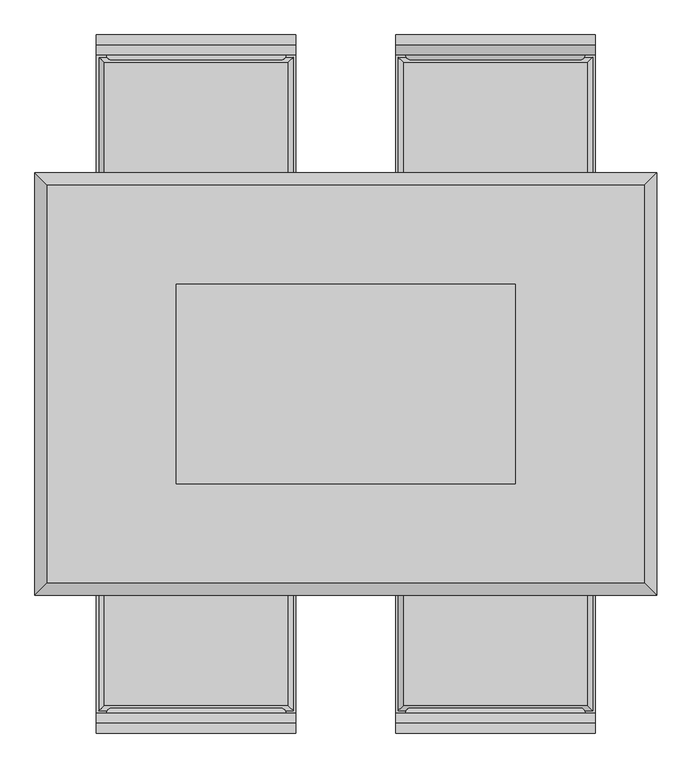
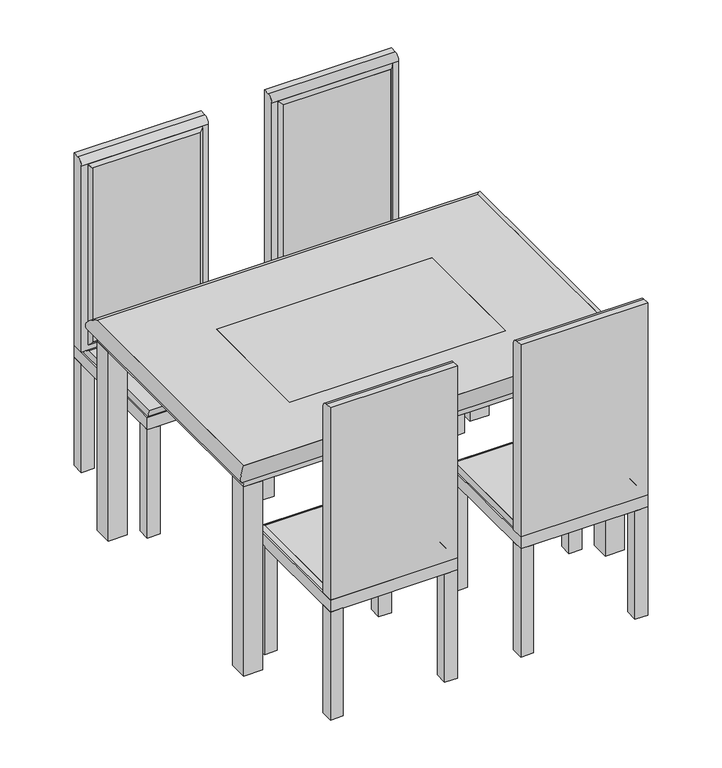
"""IFC4 building model written with IfcOpenShell, lengths in millimetres: furniture geometry."""

from ifc_helpers import new_model, si_unit, point, frame, frame_2d, origin, origin_with_axes, place, context, project, spatial, polyline, circle_curve, ellipse_curve, trimmed, segment, composite_curve, outline, extrude, faceted_brep, source, transform, mapped, element, save
from ifc_brep_helpers import plane_surface, cylinder_surface, revolved_surface, advanced_brep


def furniture_dd2c2126(model_context):
    return source(origin(), model_context, "Body", "SolidModel", [
        extrude(outline(composite_curve([segment(polyline([(-700.0, 400.0), (-700.0, 1040.0), (-680.0, 1040.0)]), True, "CONTINUOUS"), segment(trimmed(circle_curve(frame_2d((-680.0, 1020.0)), 20.0), [point((-680.0, 1040.0))], [point((-660.0, 1020.0))], False, "CARTESIAN"), True, "CONTINUOUS"), segment(polyline([(-660.0, 1020.0), (-660.0, 400.0), (-700.0, 400.0)]), True, "CONTINUOUS")], self_intersect=False)), frame((-500.0, 0.0, 0.0), z_axis=(1.0, 0.0, 0.0), x_axis=(0.0, 1.0, 0.0)), (0.0, 0.0, 1.0), 400.0),
        advanced_brep(
        [(-470.0, -650.0, 430.0), (-130.0, -650.0, 430.0), (-130.0, -670.0, 430.0), (-470.0, -670.0, 430.0), (-130.0, -650.0, 1010.0), (-130.0, -670.0, 1010.0), (-470.0, -650.0, 1010.0), (-470.0, -670.0, 1010.0)],
        [
            (0, 1),
            (1, 2, ellipse_curve(frame((-130.0, -660.0, 430.0), z_axis=(-0.7071067811865452, 0.0, -0.7071067811865498), x_axis=(-0.7071067811865499, 0.0, 0.7071067811865451)), 14.1421356, 10.0)),
            (2, 3),
            (3, 0, ellipse_curve(frame((-470.0, -660.0, 430.0), z_axis=(0.7071067811865498, 0.0, -0.7071067811865451), x_axis=(-0.7071067811865455, 0.0, -0.7071067811865497)), 14.1421356, 10.0)),
            (2, 1),
            (0, 3),
            (1, 4),
            (4, 5, ellipse_curve(frame((-130.0, -660.0, 1010.0), z_axis=(0.7071067811865498, 0.0, -0.7071067811865452), x_axis=(-0.7071067811865452, 0.0, -0.7071067811865498)), 14.1421356, 10.0)),
            (5, 2),
            (5, 4),
            (4, 6),
            (6, 7, ellipse_curve(frame((-470.0, -660.0, 1010.0), z_axis=(0.7071067811865452, 0.0, 0.7071067811865498), x_axis=(0.7071067811865497, 0.0, -0.7071067811865452)), 14.1421356, 10.0)),
            (7, 5),
            (7, 6),
            (6, 0),
            (3, 7),
        ],
        [
            cylinder_surface(frame((-470.0, -660.0, 430.0), z_axis=(-1.0, 0.0, 0.0), x_axis=(0.0, 0.0, -1.0)), 10.0),
            plane_surface(frame((-470.0, -650.0, 430.0), z_axis=(0.0, 0.0, 1.0), x_axis=(1.0, 0.0, 0.0))),
            cylinder_surface(frame((-130.0, -660.0, 430.0), z_axis=(0.0, 0.0, -1.0), x_axis=(1.0, 0.0, 0.0)), 10.0),
            plane_surface(frame((-130.0, -650.0, 430.0), z_axis=(-1.0, 0.0, 0.0), x_axis=(0.0, 0.0, 1.0))),
            cylinder_surface(frame((-130.0, -660.0, 1010.0), z_axis=(1.0, 0.0, 0.0), x_axis=(0.0, 0.0, 1.0)), 10.0),
            plane_surface(frame((-130.0, -650.0, 1010.0), z_axis=(0.0, 0.0, -1.0), x_axis=(-1.0, 0.0, 0.0))),
            cylinder_surface(frame((-470.0, -660.0, 1010.0), z_axis=(0.0, 0.0, 1.0), x_axis=(-1.0, 0.0, 0.0)), 10.0),
            plane_surface(frame((-470.0, -650.0, 1010.0), z_axis=(1.0, 0.0, 0.0), x_axis=(0.0, 0.0, -1.0))),
        ],
        [
            (0, [[1, 2, 3, 4]]),
            (1, [[-3, 5, -1, 6]]),
            (2, [[7, 8, 9, -2]]),
            (3, [[-9, 10, -7, -5]]),
            (4, [[11, 12, 13, -8]]),
            (5, [[-13, 14, -11, -10]]),
            (6, [[15, -4, 16, -12]]),
            (7, [[-16, -6, -15, -14]]),
        ],
    ),
        extrude(outline(polyline([(-130.0, -650.0), (-130.0, -670.0), (-470.0, -670.0), (-470.0, -650.0), (-130.0, -650.0)])), frame((0.0, 0.0, 430.0), z_axis=(0.0, 0.0, 1.0), x_axis=(1.0, 0.0, 0.0)), (0.0, 0.0, 1.0), 580.0),
        advanced_brep(
        [(-485.0, -645.0, 410.0), (-485.0, -315.0, 410.0), (-485.0, -315.0, 390.0), (-485.0, -645.0, 390.0), (-115.0, -315.0, 410.0), (-115.0, -315.0, 390.0), (-115.0, -645.0, 410.0), (-115.0, -645.0, 390.0)],
        [
            (0, 1),
            (1, 2, ellipse_curve(frame((-485.0, -315.0, 400.0), z_axis=(-0.7071067811865475, -0.7071067811865476, 0.0), x_axis=(0.7071067811865476, -0.7071067811865475, 0.0)), 14.1421356, 10.0)),
            (2, 3),
            (3, 0, ellipse_curve(frame((-485.0, -645.0, 400.0), z_axis=(-0.7071067811865476, 0.7071067811865474, 0.0), x_axis=(-0.7071067811865472, -0.7071067811865478, 0.0)), 14.1421356, 10.0)),
            (2, 1),
            (0, 3),
            (1, 4),
            (4, 5, ellipse_curve(frame((-115.0, -315.0, 400.0), z_axis=(-0.7071067811865476, 0.7071067811865475, 0.0), x_axis=(-0.7071067811865475, -0.7071067811865476, 0.0)), 14.1421356, 10.0)),
            (5, 2),
            (5, 4),
            (4, 6),
            (6, 7, ellipse_curve(frame((-115.0, -645.0, 400.0), z_axis=(0.7071067811865474, 0.7071067811865476, 0.0), x_axis=(-0.7071067811865475, 0.7071067811865475, 0.0)), 14.1421356, 10.0)),
            (7, 5),
            (7, 6),
            (6, 0),
            (3, 7),
        ],
        [
            cylinder_surface(frame((-485.0, -645.0, 400.0), z_axis=(0.0, -1.0, 0.0), x_axis=(1.0, 0.0, 0.0)), 10.0),
            plane_surface(frame((-485.0, -645.0, 410.0), z_axis=(1.0, 0.0, 0.0), x_axis=(0.0, 1.0, 0.0))),
            cylinder_surface(frame((-485.0, -315.0, 400.0), z_axis=(-1.0, 0.0, 0.0), x_axis=(0.0, -1.0, 0.0)), 10.0),
            plane_surface(frame((-485.0, -315.0, 410.0), z_axis=(0.0, -1.0, 0.0), x_axis=(1.0, 0.0, 0.0))),
            cylinder_surface(frame((-115.0, -315.0, 400.0), z_axis=(0.0, 1.0, 0.0), x_axis=(-1.0, 0.0, 0.0)), 10.0),
            plane_surface(frame((-115.0, -315.0, 410.0), z_axis=(-1.0, 0.0, 0.0), x_axis=(0.0, -1.0, 0.0))),
            cylinder_surface(frame((-115.0, -645.0, 400.0), z_axis=(1.0, 0.0, 0.0), x_axis=(0.0, 1.0, 0.0)), 10.0),
            plane_surface(frame((-115.0, -645.0, 410.0), z_axis=(0.0, 1.0, 0.0), x_axis=(-1.0, 0.0, 0.0))),
        ],
        [
            (0, [[1, 2, 3, 4]]),
            (1, [[-3, 5, -1, 6]]),
            (2, [[7, 8, 9, -2]]),
            (3, [[-9, 10, -7, -5]]),
            (4, [[11, 12, 13, -8]]),
            (5, [[-13, 14, -11, -10]]),
            (6, [[15, -4, 16, -12]]),
            (7, [[-16, -6, -15, -14]]),
        ],
    ),
        extrude(outline(polyline([(-485.0, -315.0), (-115.0, -315.0), (-115.0, -645.0), (-485.0, -645.0), (-485.0, -315.0)])), frame((0.0, 0.0, 390.0), z_axis=(0.0, 0.0, 1.0), x_axis=(1.0, 0.0, 0.0)), (0.0, 0.0, 1.0), 20.0),
        extrude(outline(polyline([(-140.0, -300.0), (-100.0, -300.0), (-100.0, -340.0), (-140.0, -340.0), (-140.0, -300.0)])), origin_with_axes(), (0.0, 0.0, 1.0), 360.0),
        extrude(outline(polyline([(-500.0, -300.0), (-460.0, -300.0), (-460.0, -340.0), (-500.0, -340.0), (-500.0, -300.0)])), origin_with_axes(), (0.0, 0.0, 1.0), 360.0),
        extrude(outline(polyline([(-500.0, -660.0), (-460.0, -660.0), (-460.0, -700.0), (-500.0, -700.0), (-500.0, -660.0)])), origin_with_axes(), (0.0, 0.0, 1.0), 360.0),
        extrude(outline(polyline([(-140.0, -660.0), (-100.0, -660.0), (-100.0, -700.0), (-140.0, -700.0), (-140.0, -660.0)])), origin_with_axes(), (0.0, 0.0, 1.0), 360.0),
        extrude(outline(polyline([(-500.0, -300.0), (-100.0, -300.0), (-100.0, -700.0), (-500.0, -700.0), (-500.0, -300.0)])), frame((0.0, 0.0, 360.0), z_axis=(0.0, 0.0, 1.0), x_axis=(1.0, 0.0, 0.0)), (0.0, 0.0, 1.0), 40.0),
        extrude(outline(composite_curve([segment(polyline([(-660.0, 400.0), (-700.0, 400.0), (-700.0, 1040.0), (-680.0, 1040.0)]), True, "CONTINUOUS"), segment(trimmed(circle_curve(frame_2d((-680.0, 1020.0)), 20.0), [point((-680.0, 1040.0))], [point((-660.0, 1020.0))], False, "CARTESIAN"), True, "CONTINUOUS"), segment(polyline([(-660.0, 1020.0), (-660.0, 400.0)]), True, "CONTINUOUS")], self_intersect=False)), frame((100.0, 0.0, 0.0), z_axis=(1.0, 0.0, 0.0), x_axis=(0.0, 1.0, 0.0)), (0.0, 0.0, 1.0), 400.0),
        advanced_brep(
        [(470.0, -650.0, 430.0), (470.0, -670.0, 430.0), (130.0, -670.0, 430.0), (130.0, -650.0, 430.0), (130.0, -670.0, 1010.0), (130.0, -650.0, 1010.0), (470.0, -670.0, 1010.0), (470.0, -650.0, 1010.0)],
        [
            (0, 1, ellipse_curve(frame((470.0, -660.0, 430.0), z_axis=(-0.7071067811865498, 0.0, -0.7071067811865451), x_axis=(0.7071067811865455, 0.0, -0.7071067811865497)), 14.1421356, 10.0)),
            (1, 2),
            (2, 3, ellipse_curve(frame((130.0, -660.0, 430.0), z_axis=(0.7071067811865452, 0.0, -0.7071067811865498), x_axis=(0.7071067811865499, 0.0, 0.7071067811865451)), 14.1421356, 10.0)),
            (3, 0),
            (1, 0),
            (3, 2),
            (2, 4),
            (4, 5, ellipse_curve(frame((130.0, -660.0, 1010.0), z_axis=(-0.7071067811865498, 0.0, -0.7071067811865452), x_axis=(0.7071067811865452, 0.0, -0.7071067811865498)), 14.1421356, 10.0)),
            (5, 3),
            (5, 4),
            (4, 6),
            (6, 7, ellipse_curve(frame((470.0, -660.0, 1010.0), z_axis=(-0.7071067811865452, 0.0, 0.7071067811865498), x_axis=(-0.7071067811865497, 0.0, -0.7071067811865452)), 14.1421356, 10.0)),
            (7, 5),
            (7, 6),
            (6, 1),
            (0, 7),
        ],
        [
            cylinder_surface(frame((470.0, -660.0, 430.0), z_axis=(1.0, 0.0, 0.0), x_axis=(0.0, 0.0, -1.0)), 10.0),
            plane_surface(frame((470.0, -650.0, 430.0), z_axis=(0.0, 0.0, 1.0), x_axis=(-1.0, 0.0, 0.0))),
            cylinder_surface(frame((130.0, -660.0, 430.0), z_axis=(0.0, 0.0, -1.0), x_axis=(-1.0, 0.0, 0.0)), 10.0),
            plane_surface(frame((130.0, -650.0, 430.0), z_axis=(1.0, 0.0, 0.0), x_axis=(0.0, 0.0, 1.0))),
            cylinder_surface(frame((130.0, -660.0, 1010.0), z_axis=(-1.0, 0.0, 0.0), x_axis=(0.0, 0.0, 1.0)), 10.0),
            plane_surface(frame((130.0, -650.0, 1010.0), z_axis=(0.0, 0.0, -1.0), x_axis=(1.0, 0.0, 0.0))),
            cylinder_surface(frame((470.0, -660.0, 1010.0), z_axis=(0.0, 0.0, 1.0), x_axis=(1.0, 0.0, 0.0)), 10.0),
            plane_surface(frame((470.0, -650.0, 1010.0), z_axis=(-1.0, 0.0, 0.0), x_axis=(0.0, 0.0, -1.0))),
        ],
        [
            (0, [[1, 2, 3, 4]]),
            (1, [[5, -4, 6, -2]]),
            (2, [[-3, 7, 8, 9]]),
            (3, [[-6, -9, 10, -7]]),
            (4, [[-8, 11, 12, 13]]),
            (5, [[-10, -13, 14, -11]]),
            (6, [[-12, 15, -1, 16]]),
            (7, [[-14, -16, -5, -15]]),
        ],
    ),
        extrude(outline(polyline([(130.0, -650.0), (470.0, -650.0), (470.0, -670.0), (130.0, -670.0), (130.0, -650.0)])), frame((0.0, 0.0, 430.0), z_axis=(0.0, 0.0, 1.0), x_axis=(1.0, 0.0, 0.0)), (0.0, 0.0, 1.0), 580.0),
        advanced_brep(
        [(485.0, -645.0, 410.0), (485.0, -645.0, 390.0), (485.0, -315.0, 390.0), (485.0, -315.0, 410.0), (115.0, -315.0, 390.0), (115.0, -315.0, 410.0), (115.0, -645.0, 390.0), (115.0, -645.0, 410.0)],
        [
            (0, 1, ellipse_curve(frame((485.0, -645.0, 400.0), z_axis=(0.7071067811865476, 0.7071067811865474, 0.0), x_axis=(0.7071067811865472, -0.7071067811865478, 0.0)), 14.1421356, 10.0)),
            (1, 2),
            (2, 3, ellipse_curve(frame((485.0, -315.0, 400.0), z_axis=(0.7071067811865475, -0.7071067811865476, 0.0), x_axis=(-0.7071067811865476, -0.7071067811865475, 0.0)), 14.1421356, 10.0)),
            (3, 0),
            (1, 0),
            (3, 2),
            (2, 4),
            (4, 5, ellipse_curve(frame((115.0, -315.0, 400.0), z_axis=(0.7071067811865476, 0.7071067811865475, 0.0), x_axis=(0.7071067811865475, -0.7071067811865476, 0.0)), 14.1421356, 10.0)),
            (5, 3),
            (5, 4),
            (4, 6),
            (6, 7, ellipse_curve(frame((115.0, -645.0, 400.0), z_axis=(-0.7071067811865474, 0.7071067811865476, 0.0), x_axis=(0.7071067811865475, 0.7071067811865475, 0.0)), 14.1421356, 10.0)),
            (7, 5),
            (7, 6),
            (6, 1),
            (0, 7),
        ],
        [
            cylinder_surface(frame((485.0, -645.0, 400.0), z_axis=(0.0, -1.0, 0.0), x_axis=(-1.0, 0.0, 0.0)), 10.0),
            plane_surface(frame((485.0, -645.0, 410.0), z_axis=(-1.0, 0.0, 0.0), x_axis=(0.0, 1.0, 0.0))),
            cylinder_surface(frame((485.0, -315.0, 400.0), z_axis=(1.0, 0.0, 0.0), x_axis=(0.0, -1.0, 0.0)), 10.0),
            plane_surface(frame((485.0, -315.0, 410.0), z_axis=(0.0, -1.0, 0.0), x_axis=(-1.0, 0.0, 0.0))),
            cylinder_surface(frame((115.0, -315.0, 400.0), z_axis=(0.0, 1.0, 0.0), x_axis=(1.0, 0.0, 0.0)), 10.0),
            plane_surface(frame((115.0, -315.0, 410.0), z_axis=(1.0, 0.0, 0.0), x_axis=(0.0, -1.0, 0.0))),
            cylinder_surface(frame((115.0, -645.0, 400.0), z_axis=(-1.0, 0.0, 0.0), x_axis=(0.0, 1.0, 0.0)), 10.0),
            plane_surface(frame((115.0, -645.0, 410.0), z_axis=(0.0, 1.0, 0.0), x_axis=(1.0, 0.0, 0.0))),
        ],
        [
            (0, [[1, 2, 3, 4]]),
            (1, [[5, -4, 6, -2]]),
            (2, [[-3, 7, 8, 9]]),
            (3, [[-6, -9, 10, -7]]),
            (4, [[-8, 11, 12, 13]]),
            (5, [[-10, -13, 14, -11]]),
            (6, [[-12, 15, -1, 16]]),
            (7, [[-14, -16, -5, -15]]),
        ],
    ),
        extrude(outline(polyline([(485.0, -315.0), (485.0, -645.0), (115.0, -645.0), (115.0, -315.0), (485.0, -315.0)])), frame((0.0, 0.0, 390.0), z_axis=(0.0, 0.0, 1.0), x_axis=(1.0, 0.0, 0.0)), (0.0, 0.0, 1.0), 20.0),
        extrude(outline(polyline([(140.0, -300.0), (140.0, -340.0), (100.0, -340.0), (100.0, -300.0), (140.0, -300.0)])), origin_with_axes(), (0.0, 0.0, 1.0), 360.0),
        extrude(outline(polyline([(500.0, -300.0), (500.0, -340.0), (460.0, -340.0), (460.0, -300.0), (500.0, -300.0)])), origin_with_axes(), (0.0, 0.0, 1.0), 360.0),
        extrude(outline(polyline([(500.0, -660.0), (500.0, -700.0), (460.0, -700.0), (460.0, -660.0), (500.0, -660.0)])), origin_with_axes(), (0.0, 0.0, 1.0), 360.0),
        extrude(outline(polyline([(140.0, -660.0), (140.0, -700.0), (100.0, -700.0), (100.0, -660.0), (140.0, -660.0)])), origin_with_axes(), (0.0, 0.0, 1.0), 360.0),
        extrude(outline(polyline([(500.0, -300.0), (500.0, -700.0), (100.0, -700.0), (100.0, -300.0), (500.0, -300.0)])), frame((0.0, 0.0, 360.0), z_axis=(0.0, 0.0, 1.0), x_axis=(1.0, 0.0, 0.0)), (0.0, 0.0, 1.0), 40.0),
        extrude(outline(composite_curve([segment(polyline([(700.0, 400.0), (660.0, 400.0), (660.0, 1020.0)]), True, "CONTINUOUS"), segment(trimmed(circle_curve(frame_2d((680.0, 1020.0)), 20.0), [point((660.0, 1020.0))], [point((680.0, 1040.0))], False, "CARTESIAN"), True, "CONTINUOUS"), segment(polyline([(680.0, 1040.0), (700.0, 1040.0), (700.0, 400.0)]), True, "CONTINUOUS")], self_intersect=False)), frame((-500.0, 0.0, 0.0), z_axis=(1.0, 0.0, 0.0), x_axis=(0.0, 1.0, 0.0)), (0.0, 0.0, 1.0), 400.0),
        advanced_brep(
        [(-470.0, 650.0, 430.0), (-470.0, 670.0, 430.0), (-130.0, 670.0, 430.0), (-130.0, 650.0, 430.0), (-130.0, 670.0, 1010.0), (-130.0, 650.0, 1010.0), (-470.0, 670.0, 1010.0), (-470.0, 650.0, 1010.0)],
        [
            (0, 1, ellipse_curve(frame((-470.0, 660.0, 430.0), z_axis=(0.7071067811865498, 0.0, -0.7071067811865451), x_axis=(-0.7071067811865455, 0.0, -0.7071067811865497)), 14.1421356, 10.0)),
            (1, 2),
            (2, 3, ellipse_curve(frame((-130.0, 660.0, 430.0), z_axis=(-0.7071067811865452, 0.0, -0.7071067811865498), x_axis=(-0.7071067811865499, 0.0, 0.7071067811865451)), 14.1421356, 10.0)),
            (3, 0),
            (1, 0),
            (3, 2),
            (2, 4),
            (4, 5, ellipse_curve(frame((-130.0, 660.0, 1010.0), z_axis=(0.7071067811865498, 0.0, -0.7071067811865452), x_axis=(-0.7071067811865452, 0.0, -0.7071067811865498)), 14.1421356, 10.0)),
            (5, 3),
            (5, 4),
            (4, 6),
            (6, 7, ellipse_curve(frame((-470.0, 660.0, 1010.0), z_axis=(0.7071067811865452, 0.0, 0.7071067811865498), x_axis=(0.7071067811865497, 0.0, -0.7071067811865452)), 14.1421356, 10.0)),
            (7, 5),
            (7, 6),
            (6, 1),
            (0, 7),
        ],
        [
            cylinder_surface(frame((-470.0, 660.0, 430.0), z_axis=(-1.0, 0.0, 0.0), x_axis=(0.0, 0.0, -1.0)), 10.0),
            plane_surface(frame((-470.0, 650.0, 430.0), z_axis=(0.0, 0.0, 1.0), x_axis=(1.0, 0.0, 0.0))),
            cylinder_surface(frame((-130.0, 660.0, 430.0), z_axis=(0.0, 0.0, -1.0), x_axis=(1.0, 0.0, 0.0)), 10.0),
            plane_surface(frame((-130.0, 650.0, 430.0), z_axis=(-1.0, 0.0, 0.0), x_axis=(0.0, 0.0, 1.0))),
            cylinder_surface(frame((-130.0, 660.0, 1010.0), z_axis=(1.0, 0.0, 0.0), x_axis=(0.0, 0.0, 1.0)), 10.0),
            plane_surface(frame((-130.0, 650.0, 1010.0), z_axis=(0.0, 0.0, -1.0), x_axis=(-1.0, 0.0, 0.0))),
            cylinder_surface(frame((-470.0, 660.0, 1010.0), z_axis=(0.0, 0.0, 1.0), x_axis=(-1.0, 0.0, 0.0)), 10.0),
            plane_surface(frame((-470.0, 650.0, 1010.0), z_axis=(1.0, 0.0, 0.0), x_axis=(0.0, 0.0, -1.0))),
        ],
        [
            (0, [[1, 2, 3, 4]]),
            (1, [[5, -4, 6, -2]]),
            (2, [[-3, 7, 8, 9]]),
            (3, [[-6, -9, 10, -7]]),
            (4, [[-8, 11, 12, 13]]),
            (5, [[-10, -13, 14, -11]]),
            (6, [[-12, 15, -1, 16]]),
            (7, [[-14, -16, -5, -15]]),
        ],
    ),
        extrude(outline(polyline([(-130.0, 650.0), (-470.0, 650.0), (-470.0, 670.0), (-130.0, 670.0), (-130.0, 650.0)])), frame((0.0, 0.0, 430.0), z_axis=(0.0, 0.0, 1.0), x_axis=(1.0, 0.0, 0.0)), (0.0, 0.0, 1.0), 580.0),
        advanced_brep(
        [(-485.0, 645.0, 410.0), (-485.0, 645.0, 390.0), (-485.0, 315.0, 390.0), (-485.0, 315.0, 410.0), (-115.0, 315.0, 390.0), (-115.0, 315.0, 410.0), (-115.0, 645.0, 390.0), (-115.0, 645.0, 410.0)],
        [
            (0, 1, ellipse_curve(frame((-485.0, 645.0, 400.0), z_axis=(-0.7071067811865476, -0.7071067811865474, 0.0), x_axis=(-0.7071067811865472, 0.7071067811865478, 0.0)), 14.1421356, 10.0)),
            (1, 2),
            (2, 3, ellipse_curve(frame((-485.0, 315.0, 400.0), z_axis=(-0.7071067811865475, 0.7071067811865476, 0.0), x_axis=(0.7071067811865476, 0.7071067811865475, 0.0)), 14.1421356, 10.0)),
            (3, 0),
            (1, 0),
            (3, 2),
            (2, 4),
            (4, 5, ellipse_curve(frame((-115.0, 315.0, 400.0), z_axis=(-0.7071067811865476, -0.7071067811865475, 0.0), x_axis=(-0.7071067811865475, 0.7071067811865476, 0.0)), 14.1421356, 10.0)),
            (5, 3),
            (5, 4),
            (4, 6),
            (6, 7, ellipse_curve(frame((-115.0, 645.0, 400.0), z_axis=(0.7071067811865474, -0.7071067811865476, 0.0), x_axis=(-0.7071067811865475, -0.7071067811865475, 0.0)), 14.1421356, 10.0)),
            (7, 5),
            (7, 6),
            (6, 1),
            (0, 7),
        ],
        [
            cylinder_surface(frame((-485.0, 645.0, 400.0), z_axis=(0.0, 1.0, 0.0), x_axis=(1.0, 0.0, 0.0)), 10.0),
            plane_surface(frame((-485.0, 645.0, 410.0), z_axis=(1.0, 0.0, 0.0), x_axis=(0.0, -1.0, 0.0))),
            cylinder_surface(frame((-485.0, 315.0, 400.0), z_axis=(-1.0, 0.0, 0.0), x_axis=(0.0, 1.0, 0.0)), 10.0),
            plane_surface(frame((-485.0, 315.0, 410.0), z_axis=(0.0, 1.0, 0.0), x_axis=(1.0, 0.0, 0.0))),
            cylinder_surface(frame((-115.0, 315.0, 400.0), z_axis=(0.0, -1.0, 0.0), x_axis=(-1.0, 0.0, 0.0)), 10.0),
            plane_surface(frame((-115.0, 315.0, 410.0), z_axis=(-1.0, 0.0, 0.0), x_axis=(0.0, 1.0, 0.0))),
            cylinder_surface(frame((-115.0, 645.0, 400.0), z_axis=(1.0, 0.0, 0.0), x_axis=(0.0, -1.0, 0.0)), 10.0),
            plane_surface(frame((-115.0, 645.0, 410.0), z_axis=(0.0, -1.0, 0.0), x_axis=(-1.0, 0.0, 0.0))),
        ],
        [
            (0, [[1, 2, 3, 4]]),
            (1, [[5, -4, 6, -2]]),
            (2, [[-3, 7, 8, 9]]),
            (3, [[-6, -9, 10, -7]]),
            (4, [[-8, 11, 12, 13]]),
            (5, [[-10, -13, 14, -11]]),
            (6, [[-12, 15, -1, 16]]),
            (7, [[-14, -16, -5, -15]]),
        ],
    ),
        extrude(outline(polyline([(-485.0, 315.0), (-485.0, 645.0), (-115.0, 645.0), (-115.0, 315.0), (-485.0, 315.0)])), frame((0.0, 0.0, 390.0), z_axis=(0.0, 0.0, 1.0), x_axis=(1.0, 0.0, 0.0)), (0.0, 0.0, 1.0), 20.0),
        extrude(outline(polyline([(-140.0, 300.0), (-140.0, 340.0), (-100.0, 340.0), (-100.0, 300.0), (-140.0, 300.0)])), origin_with_axes(), (0.0, 0.0, 1.0), 360.0),
        extrude(outline(polyline([(-500.0, 300.0), (-500.0, 340.0), (-460.0, 340.0), (-460.0, 300.0), (-500.0, 300.0)])), origin_with_axes(), (0.0, 0.0, 1.0), 360.0),
        extrude(outline(polyline([(-500.0, 660.0), (-500.0, 700.0), (-460.0, 700.0), (-460.0, 660.0), (-500.0, 660.0)])), origin_with_axes(), (0.0, 0.0, 1.0), 360.0),
        extrude(outline(polyline([(-140.0, 660.0), (-140.0, 700.0), (-100.0, 700.0), (-100.0, 660.0), (-140.0, 660.0)])), origin_with_axes(), (0.0, 0.0, 1.0), 360.0),
        extrude(outline(polyline([(-500.0, 300.0), (-500.0, 700.0), (-100.0, 700.0), (-100.0, 300.0), (-500.0, 300.0)])), frame((0.0, 0.0, 360.0), z_axis=(0.0, 0.0, 1.0), x_axis=(1.0, 0.0, 0.0)), (0.0, 0.0, 1.0), 40.0),
        extrude(outline(composite_curve([segment(polyline([(660.0, 400.0), (660.0, 1020.0)]), True, "CONTINUOUS"), segment(trimmed(circle_curve(frame_2d((680.0, 1020.0)), 20.0), [point((660.0, 1020.0))], [point((680.0, 1040.0))], False, "CARTESIAN"), True, "CONTINUOUS"), segment(polyline([(680.0, 1040.0), (700.0, 1040.0), (700.0, 400.0), (660.0, 400.0)]), True, "CONTINUOUS")], self_intersect=False)), frame((100.0, 0.0, 0.0), z_axis=(1.0, 0.0, 0.0), x_axis=(0.0, 1.0, 0.0)), (0.0, 0.0, 1.0), 400.0),
        advanced_brep(
        [(470.0, 650.0, 430.0), (130.0, 650.0, 430.0), (130.0, 670.0, 430.0), (470.0, 670.0, 430.0), (130.0, 650.0, 1010.0), (130.0, 670.0, 1010.0), (470.0, 650.0, 1010.0), (470.0, 670.0, 1010.0)],
        [
            (0, 1),
            (1, 2, ellipse_curve(frame((130.0, 660.0, 430.0), z_axis=(0.7071067811865452, 0.0, -0.7071067811865498), x_axis=(0.7071067811865499, 0.0, 0.7071067811865451)), 14.1421356, 10.0)),
            (2, 3),
            (3, 0, ellipse_curve(frame((470.0, 660.0, 430.0), z_axis=(-0.7071067811865498, 0.0, -0.7071067811865451), x_axis=(0.7071067811865455, 0.0, -0.7071067811865497)), 14.1421356, 10.0)),
            (2, 1),
            (0, 3),
            (1, 4),
            (4, 5, ellipse_curve(frame((130.0, 660.0, 1010.0), z_axis=(-0.7071067811865498, 0.0, -0.7071067811865452), x_axis=(0.7071067811865452, 0.0, -0.7071067811865498)), 14.1421356, 10.0)),
            (5, 2),
            (5, 4),
            (4, 6),
            (6, 7, ellipse_curve(frame((470.0, 660.0, 1010.0), z_axis=(-0.7071067811865452, 0.0, 0.7071067811865498), x_axis=(-0.7071067811865497, 0.0, -0.7071067811865452)), 14.1421356, 10.0)),
            (7, 5),
            (7, 6),
            (6, 0),
            (3, 7),
        ],
        [
            cylinder_surface(frame((470.0, 660.0, 430.0), z_axis=(1.0, 0.0, 0.0), x_axis=(0.0, 0.0, -1.0)), 10.0),
            plane_surface(frame((470.0, 650.0, 430.0), z_axis=(0.0, 0.0, 1.0), x_axis=(-1.0, 0.0, 0.0))),
            cylinder_surface(frame((130.0, 660.0, 430.0), z_axis=(0.0, 0.0, -1.0), x_axis=(-1.0, 0.0, 0.0)), 10.0),
            plane_surface(frame((130.0, 650.0, 430.0), z_axis=(1.0, 0.0, 0.0), x_axis=(0.0, 0.0, 1.0))),
            cylinder_surface(frame((130.0, 660.0, 1010.0), z_axis=(-1.0, 0.0, 0.0), x_axis=(0.0, 0.0, 1.0)), 10.0),
            plane_surface(frame((130.0, 650.0, 1010.0), z_axis=(0.0, 0.0, -1.0), x_axis=(1.0, 0.0, 0.0))),
            cylinder_surface(frame((470.0, 660.0, 1010.0), z_axis=(0.0, 0.0, 1.0), x_axis=(1.0, 0.0, 0.0)), 10.0),
            plane_surface(frame((470.0, 650.0, 1010.0), z_axis=(-1.0, 0.0, 0.0), x_axis=(0.0, 0.0, -1.0))),
        ],
        [
            (0, [[1, 2, 3, 4]]),
            (1, [[-3, 5, -1, 6]]),
            (2, [[7, 8, 9, -2]]),
            (3, [[-9, 10, -7, -5]]),
            (4, [[11, 12, 13, -8]]),
            (5, [[-13, 14, -11, -10]]),
            (6, [[15, -4, 16, -12]]),
            (7, [[-16, -6, -15, -14]]),
        ],
    ),
        extrude(outline(polyline([(130.0, 650.0), (130.0, 670.0), (470.0, 670.0), (470.0, 650.0), (130.0, 650.0)])), frame((0.0, 0.0, 430.0), z_axis=(0.0, 0.0, 1.0), x_axis=(1.0, 0.0, 0.0)), (0.0, 0.0, 1.0), 580.0),
        advanced_brep(
        [(485.0, 645.0, 410.0), (485.0, 315.0, 410.0), (485.0, 315.0, 390.0), (485.0, 645.0, 390.0), (115.0, 315.0, 410.0), (115.0, 315.0, 390.0), (115.0, 645.0, 410.0), (115.0, 645.0, 390.0)],
        [
            (0, 1),
            (1, 2, ellipse_curve(frame((485.0, 315.0, 400.0), z_axis=(0.7071067811865475, 0.7071067811865476, 0.0), x_axis=(-0.7071067811865476, 0.7071067811865475, 0.0)), 14.1421356, 10.0)),
            (2, 3),
            (3, 0, ellipse_curve(frame((485.0, 645.0, 400.0), z_axis=(0.7071067811865476, -0.7071067811865474, 0.0), x_axis=(0.7071067811865472, 0.7071067811865478, 0.0)), 14.1421356, 10.0)),
            (2, 1),
            (0, 3),
            (1, 4),
            (4, 5, ellipse_curve(frame((115.0, 315.0, 400.0), z_axis=(0.7071067811865476, -0.7071067811865475, 0.0), x_axis=(0.7071067811865475, 0.7071067811865476, 0.0)), 14.1421356, 10.0)),
            (5, 2),
            (5, 4),
            (4, 6),
            (6, 7, ellipse_curve(frame((115.0, 645.0, 400.0), z_axis=(-0.7071067811865474, -0.7071067811865476, 0.0), x_axis=(0.7071067811865475, -0.7071067811865475, 0.0)), 14.1421356, 10.0)),
            (7, 5),
            (7, 6),
            (6, 0),
            (3, 7),
        ],
        [
            cylinder_surface(frame((485.0, 645.0, 400.0), z_axis=(0.0, 1.0, 0.0), x_axis=(-1.0, 0.0, 0.0)), 10.0),
            plane_surface(frame((485.0, 645.0, 410.0), z_axis=(-1.0, 0.0, 0.0), x_axis=(0.0, -1.0, 0.0))),
            cylinder_surface(frame((485.0, 315.0, 400.0), z_axis=(1.0, 0.0, 0.0), x_axis=(0.0, 1.0, 0.0)), 10.0),
            plane_surface(frame((485.0, 315.0, 410.0), z_axis=(0.0, 1.0, 0.0), x_axis=(-1.0, 0.0, 0.0))),
            cylinder_surface(frame((115.0, 315.0, 400.0), z_axis=(0.0, -1.0, 0.0), x_axis=(1.0, 0.0, 0.0)), 10.0),
            plane_surface(frame((115.0, 315.0, 410.0), z_axis=(1.0, 0.0, 0.0), x_axis=(0.0, 1.0, 0.0))),
            cylinder_surface(frame((115.0, 645.0, 400.0), z_axis=(-1.0, 0.0, 0.0), x_axis=(0.0, -1.0, 0.0)), 10.0),
            plane_surface(frame((115.0, 645.0, 410.0), z_axis=(0.0, -1.0, 0.0), x_axis=(1.0, 0.0, 0.0))),
        ],
        [
            (0, [[1, 2, 3, 4]]),
            (1, [[-3, 5, -1, 6]]),
            (2, [[7, 8, 9, -2]]),
            (3, [[-9, 10, -7, -5]]),
            (4, [[11, 12, 13, -8]]),
            (5, [[-13, 14, -11, -10]]),
            (6, [[15, -4, 16, -12]]),
            (7, [[-16, -6, -15, -14]]),
        ],
    ),
        extrude(outline(polyline([(485.0, 315.0), (115.0, 315.0), (115.0, 645.0), (485.0, 645.0), (485.0, 315.0)])), frame((0.0, 0.0, 390.0), z_axis=(0.0, 0.0, 1.0), x_axis=(1.0, 0.0, 0.0)), (0.0, 0.0, 1.0), 20.0),
        extrude(outline(polyline([(140.0, 300.0), (100.0, 300.0), (100.0, 340.0), (140.0, 340.0), (140.0, 300.0)])), origin_with_axes(), (0.0, 0.0, 1.0), 360.0),
        extrude(outline(polyline([(500.0, 300.0), (460.0, 300.0), (460.0, 340.0), (500.0, 340.0), (500.0, 300.0)])), origin_with_axes(), (0.0, 0.0, 1.0), 360.0),
        extrude(outline(polyline([(500.0, 660.0), (460.0, 660.0), (460.0, 700.0), (500.0, 700.0), (500.0, 660.0)])), origin_with_axes(), (0.0, 0.0, 1.0), 360.0),
        extrude(outline(polyline([(140.0, 660.0), (100.0, 660.0), (100.0, 700.0), (140.0, 700.0), (140.0, 660.0)])), origin_with_axes(), (0.0, 0.0, 1.0), 360.0),
        extrude(outline(polyline([(500.0, 300.0), (100.0, 300.0), (100.0, 700.0), (500.0, 700.0), (500.0, 300.0)])), frame((0.0, 0.0, 360.0), z_axis=(0.0, 0.0, 1.0), x_axis=(1.0, 0.0, 0.0)), (0.0, 0.0, 1.0), 40.0),
        extrude(outline(polyline([(340.0, 200.0), (340.0, -200.0), (-340.0, -200.0), (-340.0, 200.0), (340.0, 200.0)])), frame((0.0, 0.0, 680.0), z_axis=(0.0, 0.0, 1.0), x_axis=(1.0, 0.0, 0.0)), (0.0, 0.0, 1.0), 20.0),
        advanced_brep(
        [(-600.0, -400.0, 700.0), (-613.1567267, -413.1567267, 656.966286), (613.1567267, -413.1567267, 656.966286), (600.0, -400.0, 700.0), (600.0, -400.0, 630.0), (-600.0, -400.0, 630.0), (613.1567267, 413.1567267, 656.966286), (600.0, 400.0, 700.0), (600.0, 400.0, 630.0), (-613.1567267, 413.1567267, 656.966286), (-600.0, 400.0, 700.0), (-600.0, 400.0, 630.0)],
        [
            (0, 1, ellipse_curve(frame((-599.9126121, -399.9126121, 676.4452183), z_axis=(0.7071067811865475, -0.7071067811865475, 0.0), x_axis=(-0.7071067811865476, -0.7071067811865474, 0.0)), 33.311721, 23.5549438)),
            (1, 2),
            (2, 3, ellipse_curve(frame((599.9126121, -399.9126121, 676.4452183), z_axis=(-0.7071067811865475, -0.7071067811865475, 0.0), x_axis=(-0.7071067811865476, 0.7071067811865474, 0.0)), 33.311721, 23.5549438)),
            (3, 0),
            (3, 4),
            (4, 5),
            (5, 0),
            (2, 6),
            (6, 7, ellipse_curve(frame((599.9126121, 399.9126121, 676.4452183), z_axis=(0.7071067811865475, -0.7071067811865475, 0.0), x_axis=(-0.7071067811865474, -0.7071067811865476, 0.0)), 33.311721, 23.5549438)),
            (7, 3),
            (7, 8),
            (8, 4),
            (6, 9),
            (9, 10, ellipse_curve(frame((-599.9126121, 399.9126121, 676.4452183), z_axis=(0.7071067811865475, 0.7071067811865475, 0.0), x_axis=(0.7071067811865476, -0.7071067811865474, 0.0)), 33.311721, 23.5549438)),
            (10, 7),
            (10, 11),
            (11, 8),
            (0, 10),
            (9, 1),
            (5, 11),
            (1, 5, ellipse_curve(frame((-634.2136786, -434.2136786, 630.0), z_axis=(-0.7071067811865475, 0.7071067811865475, 0.0), x_axis=(0.7071067811865476, 0.7071067811865474, 0.0)), 48.3854482, 34.2136786)),
            (4, 2, ellipse_curve(frame((634.2136786, -434.2136786, 630.0), z_axis=(0.7071067811865475, 0.7071067811865475, 0.0), x_axis=(0.7071067811865476, -0.7071067811865474, 0.0)), 48.3854482, 34.2136786)),
            (8, 6, ellipse_curve(frame((634.2136786, 434.2136786, 630.0), z_axis=(-0.7071067811865475, 0.7071067811865475, 0.0), x_axis=(0.7071067811865474, 0.7071067811865476, 0.0)), 48.3854482, 34.2136786)),
            (11, 9, ellipse_curve(frame((-634.2136786, 434.2136786, 630.0), z_axis=(-0.7071067811865475, -0.7071067811865475, 0.0), x_axis=(-0.7071067811865476, 0.7071067811865474, 0.0)), 48.3854482, 34.2136786)),
        ],
        [
            cylinder_surface(frame((-600.0, -399.9126121, 676.4452183), z_axis=(-1.0, 0.0, 0.0), x_axis=(0.0, 1.0, 0.0)), 23.5549438),
            plane_surface(frame((-600.0, -400.0, 700.0), z_axis=(0.0, 1.0, 0.0), x_axis=(1.0, 0.0, 0.0))),
            cylinder_surface(frame((599.9126121, -400.0, 676.4452183), z_axis=(0.0, -1.0, 0.0), x_axis=(-1.0, 0.0, 0.0)), 23.5549438),
            plane_surface(frame((600.0, -400.0, 700.0), z_axis=(-1.0, 0.0, 0.0), x_axis=(0.0, 1.0, 0.0))),
            cylinder_surface(frame((600.0, 399.9126121, 676.4452183), z_axis=(1.0, 0.0, 0.0), x_axis=(0.0, -1.0, 0.0)), 23.5549438),
            plane_surface(frame((600.0, 400.0, 700.0), z_axis=(0.0, -1.0, 0.0), x_axis=(-1.0, 0.0, 0.0))),
            cylinder_surface(frame((-599.9126121, 400.0, 676.4452183), z_axis=(0.0, 1.0, 0.0), x_axis=(1.0, 0.0, 0.0)), 23.5549438),
            plane_surface(frame((-600.0, 400.0, 700.0), z_axis=(1.0, 0.0, 0.0), x_axis=(0.0, -1.0, 0.0))),
            revolved_surface(polyline([(668.4273571329704, -400.0, 630.0), (-668.4273571329704, -400.0, 630.0)]), (-600.0, -434.2136786, 630.0), (1.0, 0.0, 0.0)),
            revolved_surface(polyline([(600.0, 468.4273571329704, 630.0), (600.0, -468.4273571329704, 630.0)]), (634.2136786, -400.0, 630.0), (0.0, 1.0, 0.0)),
            revolved_surface(polyline([(-668.4273571329704, 400.0, 630.0), (668.4273571329704, 400.0, 630.0)]), (600.0, 434.2136786, 630.0), (-1.0, 0.0, 0.0)),
            revolved_surface(polyline([(-600.0, -468.4273571329704, 630.0), (-600.0, 468.4273571329704, 630.0)]), (-634.2136786, 400.0, 630.0), (0.0, -1.0, 0.0)),
        ],
        [
            (0, [[1, 2, 3, 4]]),
            (1, [[-4, 5, 6, 7]]),
            (2, [[-3, 8, 9, 10]]),
            (3, [[-5, -10, 11, 12]]),
            (4, [[-9, 13, 14, 15]]),
            (5, [[-11, -15, 16, 17]]),
            (6, [[-1, 18, -14, 19]]),
            (7, [[-7, 20, -16, -18]]),
            (8, [[-2, 21, -6, 22]]),
            (9, [[-8, -22, -12, 23]]),
            (10, [[-13, -23, -17, 24]]),
            (11, [[-19, -24, -20, -21]]),
        ],
    ),
        faceted_brep([(600.0, 400.0, 630.0), (600.0, -400.0, 630.0), (-600.0, -400.0, 630.0), (-600.0, 400.0, 630.0), (600.0, 400.0, 700.0), (-600.0, 400.0, 700.0), (-600.0, -400.0, 700.0), (600.0, -400.0, 700.0), (340.0, 200.0, 700.0), (340.0, -200.0, 700.0), (-340.0, -200.0, 700.0), (-340.0, 200.0, 700.0), (340.0, 200.0, 680.0), (-340.0, 200.0, 680.0), (-340.0, -200.0, 680.0), (340.0, -200.0, 680.0)], [[[0, 1, 2, 3]], [[4, 5, 6, 7], [8, 9, 10, 11]], [[0, 3, 5, 4]], [[3, 2, 6, 5]], [[2, 1, 7, 6]], [[1, 0, 4, 7]], [[12, 13, 14, 15]], [[12, 15, 9, 8]], [[15, 14, 10, 9]], [[14, 13, 11, 10]], [[13, 12, 8, 11]]]),
        extrude(outline(polyline([(-540.0, 400.0), (-540.0, 340.0), (-600.0, 340.0), (-600.0, 400.0), (-540.0, 400.0)])), origin_with_axes(), (0.0, 0.0, 1.0), 630.0),
        extrude(outline(polyline([(600.0, 400.0), (600.0, 340.0), (540.0, 340.0), (540.0, 400.0), (600.0, 400.0)])), origin_with_axes(), (0.0, 0.0, 1.0), 630.0),
        extrude(outline(polyline([(600.0, -340.0), (600.0, -400.0), (540.0, -400.0), (540.0, -340.0), (600.0, -340.0)])), origin_with_axes(), (0.0, 0.0, 1.0), 630.0),
        extrude(outline(polyline([(-540.0, -340.0), (-540.0, -400.0), (-600.0, -400.0), (-600.0, -340.0), (-540.0, -340.0)])), origin_with_axes(), (0.0, 0.0, 1.0), 630.0),
    ])


if __name__ == "__main__":
    model = new_model("IFC4")
    model_context = context("Model", 3, world=origin())
    ifc_project = project(units=[si_unit("LENGTHUNIT", "METRE", prefix="MILLI")], contexts=[model_context])
    site = spatial("IfcSite", under=ifc_project)
    building = spatial("IfcBuilding", under=site)
    placement = place(None, origin())
    furniture_shape = furniture_dd2c2126(model_context)
    element("IfcFurniture", 1, at=placement, inside=building, context=model_context, shape_type="MappedRepresentation", body=[
        mapped(furniture_shape, transform((0.0, 0.0, 0.0), x_axis=(1.0, 0.0, 0.0), y_axis=(0.0, 1.0, 0.0), z_axis=(0.0, 0.0, 1.0))),
    ])
    save(model, "model.ifc")
